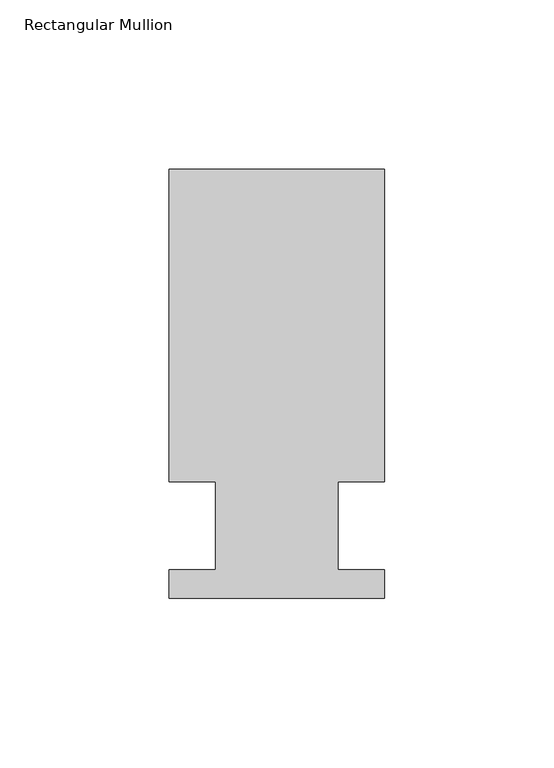
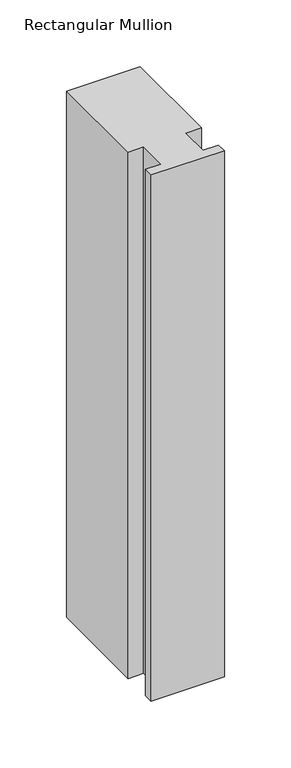
"""IFC4 building model written with IfcOpenShell, lengths in millimetres: member geometry, Rectangular Mullion."""

from ifc_helpers import new_model, si_unit, frame, origin, place, context, project, spatial, polyline, outline, extrude, source, transform, mapped, element, save


def rectangular_mullion_c7a2f94c(model_context):
    return source(origin(), model_context, "Body", "SweptSolid", [
        extrude(outline(polyline([(-63.5, 126.4808875), (0.0, 126.4808875), (0.0, 34.3296875), (-13.6398, 34.3296875), (-13.6398, 8.3454875), (0.0, 8.3454875), (0.0, -0.0111125), (-63.5, -0.0111125), (-63.5, 8.3454875), (-49.9070313, 8.3454875), (-49.9070313, 34.3296875), (-63.5, 34.3296875), (-63.5, 126.4808875)])), frame((0.0, 0.0, -481.5416667), z_axis=(0.0, 0.0, 1.0), x_axis=(1.0, 0.0, 0.0)), (0.0, 0.0, 1.0), 481.5416667),
    ])


if __name__ == "__main__":
    model = new_model("IFC4")
    model_context = context("Model", 3, world=origin())
    ifc_project = project(units=[si_unit("LENGTHUNIT", "METRE", prefix="MILLI")], contexts=[model_context])
    site = spatial("IfcSite", under=ifc_project)
    building = spatial("IfcBuilding", under=site)
    placement = place(None, origin())
    rectangular_mullion_shape = rectangular_mullion_c7a2f94c(model_context)
    element("IfcMember", 1, ObjectType="Rectangular Mullion", at=placement, inside=building, context=model_context, shape_type="MappedRepresentation", body=[
        mapped(rectangular_mullion_shape, transform((0.0, 0.0, 0.0), x_axis=(1.0, 0.0, 0.0), y_axis=(0.0, 1.0, 0.0), z_axis=(0.0, 0.0, 1.0))),
    ])
    save(model, "model.ifc")
